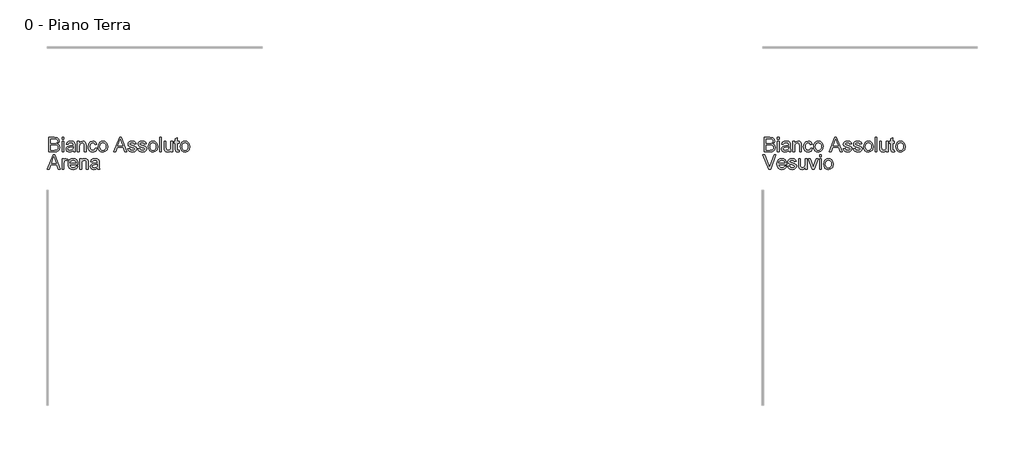
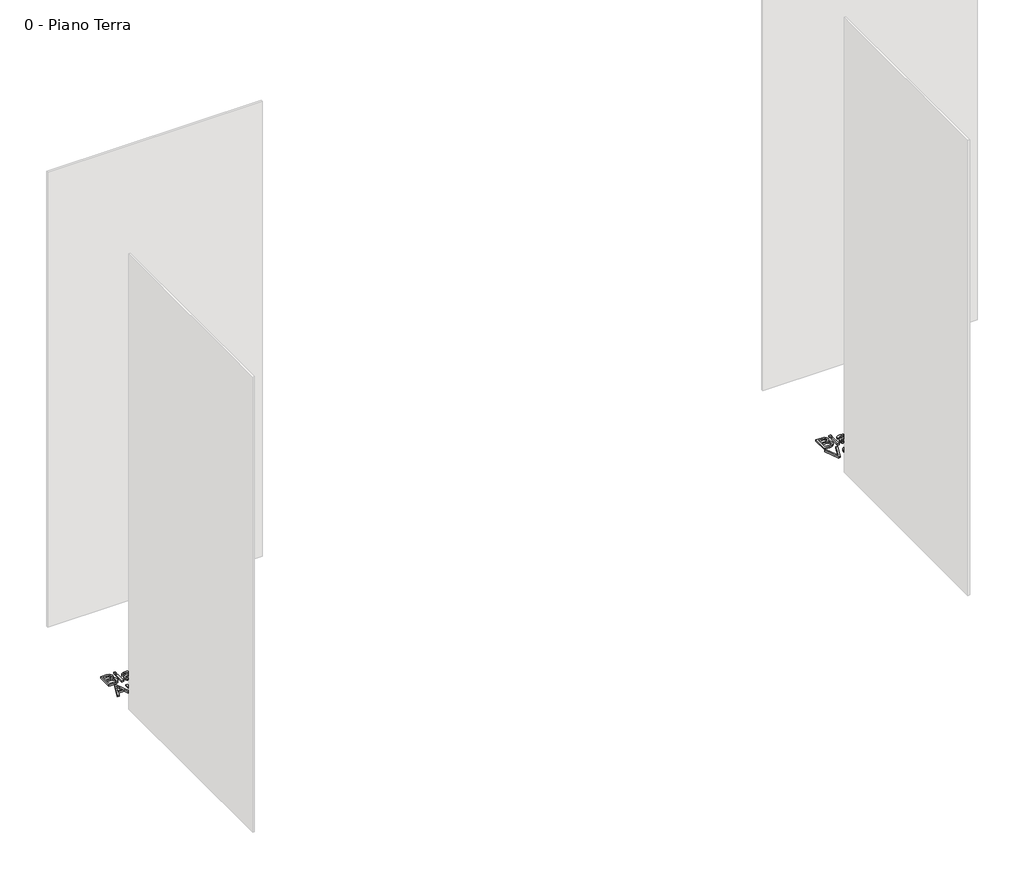
# One storey, part 16 of 35: 2 proxies.
"""IFC4 building model written with IfcOpenShell, lengths in millimetres."""

from ifc_helpers import new_model, si_unit, origin, origin_with_axes, place, context, project, spatial, polyline, outline, extrude, element, save

model = new_model("IFC4")

# Units and contexts
model_context = context("Model", 3, world=origin())
ifc_project = project(units=[si_unit("LENGTHUNIT", "METRE", prefix="MILLI")], contexts=[model_context])

# Site, building, storey
site = spatial("IfcSite", under=ifc_project)
building = spatial("IfcBuilding", under=site)
storey = spatial("IfcBuildingStorey", under=building, Name="0 - Piano Terra", Elevation=0.0)

# Proxies
placement = place(None, origin())
element("IfcBuildingElementProxy", 1, Name="Testo modello 1", ObjectType="Testo modello 1", at=placement, inside=storey, context=model_context, shape_type="SweptSolid", body=[
    extrude(outline(polyline([(-7268.2707509, -6273.7592352), (-7268.2707509, -6173.302925), (-7229.937447, -6173.302925), (-7211.1632025, -6176.2582437), (-7200.0776918, -6185.344929), (-7196.067778, -6198.1962733), (-7199.4400296, -6209.931709), (-7209.6303609, -6218.8221905), (-7197.2572631, -6228.1909187), (-7192.9285183, -6243.8136407), (-7195.883837, -6257.31491), (-7203.2046887, -6266.9288928), (-7214.130784, -6272.0301898), (-7230.2317526, -6273.7592352), (-7268.2707509, -6273.7592352)]), holes=[polyline([(-7255.7137122, -6214.113301), (-7232.7824011, -6214.113301), (-7219.3914965, -6213.0341805), (-7211.3348808, -6208.3866046), (-7208.6248168, -6200.2073616), (-7211.1509398, -6192.0158558), (-7218.3859524, -6187.1720762), (-7234.5237092, -6185.8599638), (-7255.7137122, -6185.8599638), (-7255.7137122, -6214.113301)]), polyline([(-7255.7137122, -6261.2021964), (-7229.9619725, -6261.2021964), (-7220.6422953, -6260.7116871), (-7212.7573579, -6257.9770976), (-7207.5334335, -6252.397554), (-7205.4855571, -6243.9362681), (-7207.8890528, -6234.1751325), (-7215.6758883, -6228.3503342), (-7231.1882458, -6226.6703398), (-7255.7137122, -6226.6703398), (-7255.7137122, -6261.2021964)])]), origin_with_axes(), (0.0, 0.0, 1.0), 10.0),
    extrude(outline(polyline([(-7177.2322199, -6185.8599638), (-7177.2322199, -6173.302925), (-7164.6751811, -6173.302925), (-7164.6751811, -6185.8599638), (-7177.2322199, -6185.8599638)])), origin_with_axes(), (0.0, 0.0, 1.0), 10.0),
    extrude(outline(polyline([(-7177.2322199, -6273.7592352), (-7177.2322199, -6199.9866324), (-7164.6751811, -6199.9866324), (-7164.6751811, -6273.7592352), (-7177.2322199, -6273.7592352)])), origin_with_axes(), (0.0, 0.0, 1.0), 10.0),
    extrude(outline(polyline([(-7098.7507275, -6264.3414561), (-7110.9276216, -6272.8517929), (-7124.3798399, -6275.328865), (-7134.8736738, -6273.8389429), (-7142.6145241, -6269.3691767), (-7147.387793, -6262.5817539), (-7148.9788826, -6254.1388621), (-7146.5753869, -6244.2060482), (-7140.2600793, -6236.9955611), (-7131.4676997, -6232.8752828), (-7120.6029181, -6230.9868218), (-7098.8243039, -6226.6703398), (-7098.7507275, -6223.8744366), (-7102.2088183, -6214.6038103), (-7116.0902323, -6210.9740413), (-7128.7944238, -6213.3897997), (-7134.852214, -6221.9614502), (-7147.4092528, -6220.3918204), (-7141.976862, -6208.1290872), (-7131.038504, -6200.9431256), (-7114.4715515, -6198.4170025), (-7099.2534996, -6200.64882), (-7090.6573237, -6206.252889), (-7086.8068254, -6214.7754886), (-7086.1936888, -6225.7628975), (-7086.1936888, -6241.3856196), (-7085.5560267, -6263.2010219), (-7083.0544291, -6273.7592352), (-7095.6114679, -6273.7592352), (-7098.7507275, -6264.3414561)]), holes=[polyline([(-7098.7507275, -6239.2273785), (-7119.0087627, -6243.0778768), (-7129.8122307, -6245.1134905), (-7134.7050612, -6248.4244284), (-7136.4218439, -6253.2559453), (-7132.6817102, -6260.0494995), (-7121.706564, -6262.7718262), (-7109.0023725, -6259.7674566), (-7100.8108667, -6252.4956558), (-7098.8243039, -6242.7835712), (-7098.7507275, -6239.2273785)])]), origin_with_axes(), (0.0, 0.0, 1.0), 10.0),
    extrude(outline(polyline([(-7068.9277605, -6273.7592352), (-7068.9277605, -6199.9866324), (-7056.3707217, -6199.9866324), (-7056.3707217, -6210.2873283), (-7046.7690016, -6201.384584), (-7033.6601399, -6198.4170025), (-7021.8020769, -6200.8082355), (-7013.708673, -6207.0867549), (-7009.9440139, -6216.320593), (-7009.2818263, -6228.4606988), (-7009.2818263, -6273.7592352), (-7021.8388651, -6273.7592352), (-7021.8388651, -6230.152956), (-7023.2858676, -6219.0429197), (-7028.3994273, -6213.1690705), (-7037.0201288, -6210.9740413), (-7050.6440253, -6215.90366), (-7054.9390476, -6223.0467021), (-7056.3707217, -6234.6165909), (-7056.3707217, -6273.7592352), (-7068.9277605, -6273.7592352)])), origin_with_axes(), (0.0, 0.0, 1.0), 10.0),
    extrude(outline(polyline([(-6944.9270026, -6247.0755278), (-6932.3699639, -6248.6451576), (-6935.8709742, -6259.8134419), (-6942.4499305, -6268.253268), (-6951.4875649, -6273.5599657), (-6962.3646092, -6275.328865), (-6975.7217913, -6272.8609899), (-6986.1665743, -6265.4573648), (-6992.9080119, -6253.442952), (-6995.1551577, -6237.1427139), (-6991.3169222, -6216.2838048), (-6979.6182748, -6202.8806374), (-6962.5362875, -6198.4170025), (-6951.9259576, -6199.9498442), (-6943.4432119, -6204.5483691), (-6937.3578306, -6211.9673227), (-6933.9395937, -6221.9614502), (-6946.4966325, -6223.5310801), (-6952.3214307, -6214.1255637), (-6962.4381856, -6210.9740413), (-6970.5530493, -6212.5252771), (-6976.9940499, -6217.1789843), (-6981.1971017, -6225.1865491), (-6982.5981189, -6236.7993574), (-6981.2277585, -6248.5685155), (-6977.1166772, -6256.6036714), (-6970.7921726, -6261.2297875), (-6962.7815421, -6262.7718262), (-6950.9480046, -6258.921328), (-6944.9270026, -6247.0755278)])), origin_with_axes(), (0.0, 0.0, 1.0), 10.0),
    extrude(outline(polyline([(-6924.5218146, -6236.8729338), (-6921.8056192, -6219.0858393), (-6913.657033, -6206.5839828), (-6903.5893291, -6200.4587476), (-6891.5350624, -6198.4170025), (-6878.3434272, -6200.9032717), (-6867.8066737, -6208.3620791), (-6860.8996892, -6220.2048137), (-6858.5973611, -6235.8428642), (-6862.6685885, -6258.185564), (-6874.5266515, -6270.8284419), (-6891.5350624, -6275.328865), (-6904.8861131, -6272.8517929), (-6915.4106039, -6265.4205766), (-6922.2440119, -6253.3295217), (-6924.5218146, -6236.8729338)]), holes=[polyline([(-6911.9647759, -6236.8484083), (-6910.511642, -6248.2128963), (-6906.1522403, -6256.3093658), (-6899.5916781, -6261.1562111), (-6891.5350624, -6262.7718262), (-6883.5152349, -6261.1470141), (-6876.9669354, -6256.2725776), (-6872.6075337, -6248.0688092), (-6871.1543999, -6236.4560008), (-6872.6167308, -6225.4226067), (-6877.0037236, -6217.4365017), (-6883.5612202, -6212.5896564), (-6891.5350624, -6210.9740413), (-6899.5916781, -6212.583525), (-6906.1522403, -6217.4119762), (-6910.511642, -6225.4900517), (-6911.9647759, -6236.8484083)])]), origin_with_axes(), (0.0, 0.0, 1.0), 10.0),
    extrude(outline(polyline([(-6815.3589639, -6273.7592352), (-6775.2598265, -6173.302925), (-6764.5667231, -6173.302925), (-6724.4675857, -6273.7592352), (-6737.7358629, -6273.7592352), (-6749.2383067, -6242.3666382), (-6790.6127684, -6242.3666382), (-6802.0906866, -6273.7592352), (-6815.3589639, -6273.7592352)]), holes=[polyline([(-6786.0019807, -6229.8095995), (-6753.8245689, -6229.8095995), (-6762.874466, -6205.1124549), (-6769.9132748, -6185.8599638), (-6776.1672687, -6202.9542138), (-6786.0019807, -6229.8095995)])]), origin_with_axes(), (0.0, 0.0, 1.0), 10.0),
    extrude(outline(polyline([(-6717.3306749, -6251.7844173), (-6704.7736362, -6250.2147875), (-6698.9611007, -6259.5344647), (-6685.6437724, -6262.7718262), (-6672.841479, -6259.8042448), (-6668.6721497, -6252.8390124), (-6672.8660045, -6247.1981551), (-6685.7909252, -6243.617437), (-6704.7000598, -6237.4738077), (-6712.9528792, -6230.3001088), (-6715.7610451, -6220.1710912), (-6713.5047022, -6210.8146258), (-6707.3488101, -6203.6654523), (-6699.3657708, -6199.9498442), (-6688.5623029, -6198.4170025), (-6673.2829374, -6200.8818119), (-6663.5708527, -6207.5527388), (-6659.2543706, -6218.8221905), (-6671.8114094, -6220.3918204), (-6676.5325617, -6213.4633761), (-6687.5812843, -6210.9740413), (-6699.5987628, -6213.3530115), (-6703.2040063, -6218.8957669), (-6701.7079529, -6222.5500614), (-6697.0235888, -6225.3214391), (-6686.2078582, -6227.994715), (-6667.7769702, -6233.9053523), (-6659.2175824, -6240.6008047), (-6656.115111, -6251.5146372), (-6659.7571427, -6263.5321157), (-6670.266305, -6272.250919), (-6685.8154507, -6275.328865), (-6698.4767227, -6273.8450743), (-6707.7166921, -6269.3937021), (-6713.8848469, -6262.0237995), (-6717.3306749, -6251.7844173)])), origin_with_axes(), (0.0, 0.0, 1.0), 10.0),
    extrude(outline(polyline([(-6646.6973319, -6251.7844173), (-6634.1402931, -6250.2147875), (-6628.3277576, -6259.5344647), (-6615.0104294, -6262.7718262), (-6602.2081359, -6259.8042448), (-6598.0388066, -6252.8390124), (-6602.2326614, -6247.1981551), (-6615.1575822, -6243.617437), (-6634.0667167, -6237.4738077), (-6642.3195361, -6230.3001088), (-6645.127702, -6220.1710912), (-6642.8713591, -6210.8146258), (-6636.7154671, -6203.6654523), (-6628.7324278, -6199.9498442), (-6617.9289599, -6198.4170025), (-6602.6495943, -6200.8818119), (-6592.9375096, -6207.5527388), (-6588.6210276, -6218.8221905), (-6601.1780663, -6220.3918204), (-6605.8992186, -6213.4633761), (-6616.9479412, -6210.9740413), (-6628.9654197, -6213.3530115), (-6632.5706633, -6218.8957669), (-6631.0746098, -6222.5500614), (-6626.3902457, -6225.3214391), (-6615.5745151, -6227.994715), (-6597.1436271, -6233.9053523), (-6588.5842394, -6240.6008047), (-6585.4817679, -6251.5146372), (-6589.1237996, -6263.5321157), (-6599.632962, -6272.250919), (-6615.1821076, -6275.328865), (-6627.8433796, -6273.8450743), (-6637.0833491, -6269.3937021), (-6643.2515039, -6262.0237995), (-6646.6973319, -6251.7844173)])), origin_with_axes(), (0.0, 0.0, 1.0), 10.0),
    extrude(outline(polyline([(-6574.494359, -6236.8729338), (-6571.7781636, -6219.0858393), (-6563.6295774, -6206.5839828), (-6553.5618734, -6200.4587476), (-6541.5076067, -6198.4170025), (-6528.3159715, -6200.9032717), (-6517.779218, -6208.3620791), (-6510.8722336, -6220.2048137), (-6508.5699054, -6235.8428642), (-6512.6411328, -6258.185564), (-6524.4991958, -6270.8284419), (-6541.5076067, -6275.328865), (-6554.8586575, -6272.8517929), (-6565.3831482, -6265.4205766), (-6572.2165563, -6253.3295217), (-6574.494359, -6236.8729338)]), holes=[polyline([(-6561.9373202, -6236.8484083), (-6560.4841863, -6248.2128963), (-6556.1247847, -6256.3093658), (-6549.5642224, -6261.1562111), (-6541.5076067, -6262.7718262), (-6533.4877792, -6261.1470141), (-6526.9394797, -6256.2725776), (-6522.5800781, -6248.0688092), (-6521.1269442, -6236.4560008), (-6522.5892751, -6225.4226067), (-6526.9762679, -6217.4365017), (-6533.5337645, -6212.5896564), (-6541.5076067, -6210.9740413), (-6549.5642224, -6212.583525), (-6556.1247847, -6217.4119762), (-6560.4841863, -6225.4900517), (-6561.9373202, -6236.8484083)])]), origin_with_axes(), (0.0, 0.0, 1.0), 10.0),
    extrude(outline(polyline([(-6494.4432368, -6273.7592352), (-6494.4432368, -6173.302925), (-6481.886198, -6173.302925), (-6481.886198, -6273.7592352), (-6494.4432368, -6273.7592352)])), origin_with_axes(), (0.0, 0.0, 1.0), 10.0),
    extrude(outline(polyline([(-6415.9617445, -6273.7592352), (-6415.9617445, -6261.0795691), (-6425.7964565, -6271.766541), (-6438.6232754, -6275.328865), (-6450.4322874, -6272.8272674), (-6458.5747423, -6266.548748), (-6462.3148759, -6257.3026472), (-6463.0506399, -6245.6285253), (-6463.0506399, -6199.9866324), (-6450.4936011, -6199.9866324), (-6450.4936011, -6239.7178879), (-6449.7333117, -6252.5201813), (-6444.7669047, -6260.0372367), (-6435.4104393, -6262.7718262), (-6424.9258024, -6259.9759231), (-6417.9973582, -6252.3607658), (-6415.9617445, -6238.3689872), (-6415.9617445, -6199.9866324), (-6403.4047057, -6199.9866324), (-6403.4047057, -6273.7592352), (-6415.9617445, -6273.7592352)])), origin_with_axes(), (0.0, 0.0, 1.0), 10.0),
    extrude(outline(polyline([(-6359.45507, -6263.286861), (-6357.8854402, -6274.1271171), (-6367.2786938, -6275.328865), (-6377.8001189, -6273.2442004), (-6383.0485687, -6267.7750214), (-6384.5691476, -6253.5257254), (-6384.5691476, -6212.5436712), (-6393.9869267, -6212.5436712), (-6393.9869267, -6199.9866324), (-6384.5691476, -6199.9866324), (-6384.5691476, -6182.0585165), (-6372.0121088, -6174.6763511), (-6372.0121088, -6199.9866324), (-6359.45507, -6199.9866324), (-6359.45507, -6212.5436712), (-6372.0121088, -6212.5436712), (-6372.0121088, -6253.1578434), (-6371.3499212, -6259.6325665), (-6369.2039429, -6261.9256976), (-6364.924249, -6262.7718262), (-6359.45507, -6263.286861)])), origin_with_axes(), (0.0, 0.0, 1.0), 10.0),
    extrude(outline(polyline([(-6350.037291, -6236.8729338), (-6347.3210956, -6219.0858393), (-6339.1725094, -6206.5839828), (-6329.1048054, -6200.4587476), (-6317.0505387, -6198.4170025), (-6303.8589035, -6200.9032717), (-6293.32215, -6208.3620791), (-6286.4151656, -6220.2048137), (-6284.1128374, -6235.8428642), (-6288.1840648, -6258.185564), (-6300.0421278, -6270.8284419), (-6317.0505387, -6275.328865), (-6330.4015895, -6272.8517929), (-6340.9260802, -6265.4205766), (-6347.7594883, -6253.3295217), (-6350.037291, -6236.8729338)]), holes=[polyline([(-6337.4802522, -6236.8484083), (-6336.0271183, -6248.2128963), (-6331.6677167, -6256.3093658), (-6325.1071544, -6261.1562111), (-6317.0505387, -6262.7718262), (-6309.0307112, -6261.1470141), (-6302.4824117, -6256.2725776), (-6298.1230101, -6248.0688092), (-6296.6698762, -6236.4560008), (-6298.1322071, -6225.4226067), (-6302.5191999, -6217.4365017), (-6309.0766965, -6212.5896564), (-6317.0505387, -6210.9740413), (-6325.1071544, -6212.583525), (-6331.6677167, -6217.4119762), (-6336.0271183, -6225.4900517), (-6337.4802522, -6236.8484083)])]), origin_with_axes(), (0.0, 0.0, 1.0), 10.0),
    extrude(outline(polyline([(-7238.5949366, -6395.734053), (-7278.5714468, -6295.2777428), (-7265.1314912, -6295.2777428), (-7238.3742074, -6367.652394), (-7232.9540794, -6383.9618292), (-7227.6075277, -6367.652394), (-7200.7766675, -6295.2777428), (-7187.336712, -6295.2777428), (-7225.620965, -6395.734053), (-7238.5949366, -6395.734053)])), origin_with_axes(), (0.0, 0.0, 1.0), 10.0),
    extrude(outline(polyline([(-7125.5815877, -6373.7592352), (-7113.2698036, -6375.328865), (-7117.7058473, -6384.6056226), (-7124.7845101, -6391.5401983), (-7134.3463763, -6395.8628117), (-7146.2320304, -6397.3036828), (-7160.9657043, -6394.8174137), (-7172.3026011, -6387.3586062), (-7179.5314823, -6375.4116384), (-7181.9411094, -6359.4608883), (-7179.5069569, -6342.9736435), (-7172.2044993, -6330.6434653), (-7161.0208866, -6322.9547316), (-7146.9432689, -6320.3918204), (-7133.3040439, -6322.9486003), (-7122.4055398, -6330.6189399), (-7115.2594321, -6342.9245926), (-7112.8773962, -6359.3873119), (-7112.9509726, -6362.7718262), (-7169.3840706, -6362.7718262), (-7167.2105012, -6372.1712112), (-7162.1613208, -6379.0812613), (-7154.8741916, -6383.3302984), (-7145.9867757, -6384.7466441), (-7133.6749916, -6382.1224192), (-7125.5815877, -6373.7592352)]), holes=[polyline([(-7169.3840706, -6350.2147875), (-7125.4344349, -6350.2147875), (-7130.4621555, -6338.8349711), (-7137.7830072, -6334.4203871), (-7146.9923198, -6332.9488592), (-7162.4556264, -6337.645486), (-7167.3208658, -6343.1361247), (-7169.3840706, -6350.2147875)])]), origin_with_axes(), (0.0, 0.0, 1.0), 10.0),
    extrude(outline(polyline([(-7105.0292469, -6373.7592352), (-7092.4722082, -6372.1896053), (-7086.6596726, -6381.5092825), (-7073.3423444, -6384.7466441), (-7060.540051, -6381.7790626), (-7056.3707217, -6374.8138302), (-7060.5645764, -6369.1729729), (-7073.4894972, -6365.5922549), (-7092.3986318, -6359.4486255), (-7100.6514512, -6352.2749266), (-7103.4596171, -6342.145909), (-7101.2032742, -6332.7894436), (-7095.0473821, -6325.6402702), (-7087.0643428, -6321.924662), (-7076.2608749, -6320.3918204), (-7060.9815094, -6322.8566298), (-7051.2694247, -6329.5275566), (-7046.9529426, -6340.7970084), (-7059.5099814, -6342.3666382), (-7064.2311337, -6335.438194), (-7075.2798563, -6332.9488592), (-7087.2973348, -6335.3278294), (-7090.9025783, -6340.8705848), (-7089.4065249, -6344.5248793), (-7084.7221608, -6347.296257), (-7073.9064301, -6349.9695328), (-7055.4755422, -6355.8801702), (-7046.9161544, -6362.5756225), (-7043.8136829, -6373.489455), (-7047.4557147, -6385.5069335), (-7057.964877, -6394.2257368), (-7073.5140227, -6397.3036828), (-7086.1752947, -6395.8198921), (-7095.4152641, -6391.36852), (-7101.5834189, -6383.9986174), (-7105.0292469, -6373.7592352)])), origin_with_axes(), (0.0, 0.0, 1.0), 10.0),
    extrude(outline(polyline([(-6982.5981189, -6395.734053), (-6982.5981189, -6383.0543869), (-6992.4328309, -6393.7413589), (-7005.2596498, -6397.3036828), (-7017.0686619, -6394.8020853), (-7025.2111167, -6388.5235659), (-7028.9512503, -6379.2774651), (-7029.6870143, -6367.6033431), (-7029.6870143, -6321.9614502), (-7017.1299756, -6321.9614502), (-7017.1299756, -6361.6927057), (-7016.3696861, -6374.4949991), (-7011.4032792, -6382.0120546), (-7002.0468137, -6384.7466441), (-6991.5621769, -6381.9507409), (-6984.6337326, -6374.3355836), (-6982.5981189, -6360.3438051), (-6982.5981189, -6321.9614502), (-6970.0410802, -6321.9614502), (-6970.0410802, -6395.734053), (-6982.5981189, -6395.734053)])), origin_with_axes(), (0.0, 0.0, 1.0), 10.0),
    extrude(outline(polyline([(-6934.6753577, -6395.734053), (-6960.6233011, -6321.9614502), (-6947.3304983, -6321.9614502), (-6931.6096744, -6366.1563406), (-6926.8762594, -6381.0187732), (-6922.2409463, -6366.9902064), (-6906.4220205, -6321.9614502), (-6893.1292177, -6321.9614502), (-6918.75833, -6395.734053), (-6934.6753577, -6395.734053)])), origin_with_axes(), (0.0, 0.0, 1.0), 10.0),
    extrude(outline(polyline([(-6882.1418088, -6307.8347816), (-6882.1418088, -6295.2777428), (-6869.58477, -6295.2777428), (-6869.58477, -6307.8347816), (-6882.1418088, -6307.8347816)])), origin_with_axes(), (0.0, 0.0, 1.0), 10.0),
    extrude(outline(polyline([(-6882.1418088, -6395.734053), (-6882.1418088, -6321.9614502), (-6869.58477, -6321.9614502), (-6869.58477, -6395.734053), (-6882.1418088, -6395.734053)])), origin_with_axes(), (0.0, 0.0, 1.0), 10.0),
    extrude(outline(polyline([(-6853.8884716, -6358.8477516), (-6851.1722762, -6341.0606571), (-6843.02369, -6328.5588007), (-6832.955986, -6322.4335655), (-6820.9017193, -6320.3918204), (-6807.7100841, -6322.8780895), (-6797.1733306, -6330.336897), (-6790.2663462, -6342.1796315), (-6787.964018, -6357.817682), (-6792.0352454, -6380.1603819), (-6803.8933084, -6392.8032598), (-6820.9017193, -6397.3036828), (-6834.2527701, -6394.8266107), (-6844.7772608, -6387.3953944), (-6851.6106689, -6375.3043395), (-6853.8884716, -6358.8477516)]), holes=[polyline([(-6841.3314328, -6358.8232261), (-6839.8782989, -6370.1877141), (-6835.5188973, -6378.2841837), (-6828.958335, -6383.131029), (-6820.9017193, -6384.7466441), (-6812.8818918, -6383.1218319), (-6806.3335923, -6378.2473955), (-6801.9741907, -6370.043627), (-6800.5210568, -6358.4308187), (-6801.9833877, -6347.3974245), (-6806.3703805, -6339.4113195), (-6812.9278771, -6334.5644742), (-6820.9017193, -6332.9488592), (-6828.958335, -6334.5583429), (-6835.5188973, -6339.3867941), (-6839.8782989, -6347.4648695), (-6841.3314328, -6358.8232261)])]), origin_with_axes(), (0.0, 0.0, 1.0), 10.0),
])
element("IfcBuildingElementProxy", 2, Name="Testo modello 1", ObjectType="Testo modello 1", at=placement, inside=storey, context=model_context, shape_type="SweptSolid", body=[
    extrude(outline(polyline([(-12268.2707509, -6273.7592352), (-12268.2707509, -6173.302925), (-12229.937447, -6173.302925), (-12211.1632025, -6176.2582437), (-12200.0776918, -6185.344929), (-12196.067778, -6198.1962733), (-12199.4400296, -6209.931709), (-12209.6303609, -6218.8221905), (-12197.2572631, -6228.1909187), (-12192.9285183, -6243.8136407), (-12195.883837, -6257.31491), (-12203.2046887, -6266.9288928), (-12214.130784, -6272.0301898), (-12230.2317526, -6273.7592352), (-12268.2707509, -6273.7592352)]), holes=[polyline([(-12255.7137122, -6214.113301), (-12232.7824011, -6214.113301), (-12219.3914965, -6213.0341805), (-12211.3348808, -6208.3866046), (-12208.6248168, -6200.2073616), (-12211.1509398, -6192.0158558), (-12218.3859524, -6187.1720762), (-12234.5237092, -6185.8599638), (-12255.7137122, -6185.8599638), (-12255.7137122, -6214.113301)]), polyline([(-12255.7137122, -6261.2021964), (-12229.9619725, -6261.2021964), (-12220.6422953, -6260.7116871), (-12212.7573579, -6257.9770976), (-12207.5334335, -6252.397554), (-12205.4855571, -6243.9362681), (-12207.8890528, -6234.1751325), (-12215.6758883, -6228.3503342), (-12231.1882458, -6226.6703398), (-12255.7137122, -6226.6703398), (-12255.7137122, -6261.2021964)])]), origin_with_axes(), (0.0, 0.0, 1.0), 10.0),
    extrude(outline(polyline([(-12177.2322199, -6185.8599638), (-12177.2322199, -6173.302925), (-12164.6751811, -6173.302925), (-12164.6751811, -6185.8599638), (-12177.2322199, -6185.8599638)])), origin_with_axes(), (0.0, 0.0, 1.0), 10.0),
    extrude(outline(polyline([(-12177.2322199, -6273.7592352), (-12177.2322199, -6199.9866324), (-12164.6751811, -6199.9866324), (-12164.6751811, -6273.7592352), (-12177.2322199, -6273.7592352)])), origin_with_axes(), (0.0, 0.0, 1.0), 10.0),
    extrude(outline(polyline([(-12098.7507275, -6264.3414561), (-12110.9276216, -6272.8517929), (-12124.3798399, -6275.328865), (-12134.8736738, -6273.8389429), (-12142.6145241, -6269.3691767), (-12147.387793, -6262.5817539), (-12148.9788826, -6254.1388621), (-12146.5753869, -6244.2060482), (-12140.2600793, -6236.9955611), (-12131.4676997, -6232.8752828), (-12120.6029181, -6230.9868218), (-12098.8243039, -6226.6703398), (-12098.7507275, -6223.8744366), (-12102.2088183, -6214.6038103), (-12116.0902323, -6210.9740413), (-12128.7944238, -6213.3897997), (-12134.852214, -6221.9614502), (-12147.4092528, -6220.3918204), (-12141.976862, -6208.1290872), (-12131.038504, -6200.9431256), (-12114.4715515, -6198.4170025), (-12099.2534996, -6200.64882), (-12090.6573237, -6206.252889), (-12086.8068254, -6214.7754886), (-12086.1936888, -6225.7628975), (-12086.1936888, -6241.3856196), (-12085.5560267, -6263.2010219), (-12083.0544291, -6273.7592352), (-12095.6114679, -6273.7592352), (-12098.7507275, -6264.3414561)]), holes=[polyline([(-12098.7507275, -6239.2273785), (-12119.0087627, -6243.0778768), (-12129.8122307, -6245.1134905), (-12134.7050612, -6248.4244284), (-12136.4218439, -6253.2559453), (-12132.6817102, -6260.0494995), (-12121.706564, -6262.7718262), (-12109.0023725, -6259.7674566), (-12100.8108667, -6252.4956558), (-12098.8243039, -6242.7835712), (-12098.7507275, -6239.2273785)])]), origin_with_axes(), (0.0, 0.0, 1.0), 10.0),
    extrude(outline(polyline([(-12068.9277605, -6273.7592352), (-12068.9277605, -6199.9866324), (-12056.3707217, -6199.9866324), (-12056.3707217, -6210.2873283), (-12046.7690016, -6201.384584), (-12033.6601399, -6198.4170025), (-12021.8020769, -6200.8082355), (-12013.708673, -6207.0867549), (-12009.9440139, -6216.320593), (-12009.2818263, -6228.4606988), (-12009.2818263, -6273.7592352), (-12021.8388651, -6273.7592352), (-12021.8388651, -6230.152956), (-12023.2858676, -6219.0429197), (-12028.3994273, -6213.1690705), (-12037.0201288, -6210.9740413), (-12050.6440253, -6215.90366), (-12054.9390476, -6223.0467021), (-12056.3707217, -6234.6165909), (-12056.3707217, -6273.7592352), (-12068.9277605, -6273.7592352)])), origin_with_axes(), (0.0, 0.0, 1.0), 10.0),
    extrude(outline(polyline([(-11944.9270026, -6247.0755278), (-11932.3699639, -6248.6451576), (-11935.8709742, -6259.8134419), (-11942.4499305, -6268.253268), (-11951.4875649, -6273.5599657), (-11962.3646092, -6275.328865), (-11975.7217913, -6272.8609899), (-11986.1665743, -6265.4573648), (-11992.9080119, -6253.442952), (-11995.1551577, -6237.1427139), (-11991.3169222, -6216.2838048), (-11979.6182748, -6202.8806374), (-11962.5362875, -6198.4170025), (-11951.9259576, -6199.9498442), (-11943.4432119, -6204.5483691), (-11937.3578306, -6211.9673227), (-11933.9395937, -6221.9614502), (-11946.4966325, -6223.5310801), (-11952.3214307, -6214.1255637), (-11962.4381856, -6210.9740413), (-11970.5530493, -6212.5252771), (-11976.9940499, -6217.1789843), (-11981.1971017, -6225.1865491), (-11982.5981189, -6236.7993574), (-11981.2277585, -6248.5685155), (-11977.1166772, -6256.6036714), (-11970.7921726, -6261.2297875), (-11962.7815421, -6262.7718262), (-11950.9480046, -6258.921328), (-11944.9270026, -6247.0755278)])), origin_with_axes(), (0.0, 0.0, 1.0), 10.0),
    extrude(outline(polyline([(-11924.5218146, -6236.8729338), (-11921.8056192, -6219.0858393), (-11913.657033, -6206.5839828), (-11903.5893291, -6200.4587476), (-11891.5350624, -6198.4170025), (-11878.3434272, -6200.9032717), (-11867.8066737, -6208.3620791), (-11860.8996892, -6220.2048137), (-11858.5973611, -6235.8428642), (-11862.6685885, -6258.185564), (-11874.5266515, -6270.8284419), (-11891.5350624, -6275.328865), (-11904.8861131, -6272.8517929), (-11915.4106039, -6265.4205766), (-11922.2440119, -6253.3295217), (-11924.5218146, -6236.8729338)]), holes=[polyline([(-11911.9647759, -6236.8484083), (-11910.511642, -6248.2128963), (-11906.1522403, -6256.3093658), (-11899.5916781, -6261.1562111), (-11891.5350624, -6262.7718262), (-11883.5152349, -6261.1470141), (-11876.9669354, -6256.2725776), (-11872.6075337, -6248.0688092), (-11871.1543999, -6236.4560008), (-11872.6167308, -6225.4226067), (-11877.0037236, -6217.4365017), (-11883.5612202, -6212.5896564), (-11891.5350624, -6210.9740413), (-11899.5916781, -6212.583525), (-11906.1522403, -6217.4119762), (-11910.511642, -6225.4900517), (-11911.9647759, -6236.8484083)])]), origin_with_axes(), (0.0, 0.0, 1.0), 10.0),
    extrude(outline(polyline([(-11815.3589639, -6273.7592352), (-11775.2598265, -6173.302925), (-11764.5667231, -6173.302925), (-11724.4675857, -6273.7592352), (-11737.7358629, -6273.7592352), (-11749.2383067, -6242.3666382), (-11790.6127684, -6242.3666382), (-11802.0906866, -6273.7592352), (-11815.3589639, -6273.7592352)]), holes=[polyline([(-11786.0019807, -6229.8095995), (-11753.8245689, -6229.8095995), (-11762.874466, -6205.1124549), (-11769.9132748, -6185.8599638), (-11776.1672687, -6202.9542138), (-11786.0019807, -6229.8095995)])]), origin_with_axes(), (0.0, 0.0, 1.0), 10.0),
    extrude(outline(polyline([(-11717.3306749, -6251.7844173), (-11704.7736362, -6250.2147875), (-11698.9611007, -6259.5344647), (-11685.6437724, -6262.7718262), (-11672.841479, -6259.8042448), (-11668.6721497, -6252.8390124), (-11672.8660045, -6247.1981551), (-11685.7909252, -6243.617437), (-11704.7000598, -6237.4738077), (-11712.9528792, -6230.3001088), (-11715.7610451, -6220.1710912), (-11713.5047022, -6210.8146258), (-11707.3488101, -6203.6654523), (-11699.3657708, -6199.9498442), (-11688.5623029, -6198.4170025), (-11673.2829374, -6200.8818119), (-11663.5708527, -6207.5527388), (-11659.2543706, -6218.8221905), (-11671.8114094, -6220.3918204), (-11676.5325617, -6213.4633761), (-11687.5812843, -6210.9740413), (-11699.5987628, -6213.3530115), (-11703.2040063, -6218.8957669), (-11701.7079529, -6222.5500614), (-11697.0235888, -6225.3214391), (-11686.2078582, -6227.994715), (-11667.7769702, -6233.9053523), (-11659.2175824, -6240.6008047), (-11656.115111, -6251.5146372), (-11659.7571427, -6263.5321157), (-11670.266305, -6272.250919), (-11685.8154507, -6275.328865), (-11698.4767227, -6273.8450743), (-11707.7166921, -6269.3937021), (-11713.8848469, -6262.0237995), (-11717.3306749, -6251.7844173)])), origin_with_axes(), (0.0, 0.0, 1.0), 10.0),
    extrude(outline(polyline([(-11646.6973319, -6251.7844173), (-11634.1402931, -6250.2147875), (-11628.3277576, -6259.5344647), (-11615.0104294, -6262.7718262), (-11602.2081359, -6259.8042448), (-11598.0388066, -6252.8390124), (-11602.2326614, -6247.1981551), (-11615.1575822, -6243.617437), (-11634.0667167, -6237.4738077), (-11642.3195361, -6230.3001088), (-11645.127702, -6220.1710912), (-11642.8713591, -6210.8146258), (-11636.7154671, -6203.6654523), (-11628.7324278, -6199.9498442), (-11617.9289599, -6198.4170025), (-11602.6495943, -6200.8818119), (-11592.9375096, -6207.5527388), (-11588.6210276, -6218.8221905), (-11601.1780663, -6220.3918204), (-11605.8992186, -6213.4633761), (-11616.9479412, -6210.9740413), (-11628.9654197, -6213.3530115), (-11632.5706633, -6218.8957669), (-11631.0746098, -6222.5500614), (-11626.3902457, -6225.3214391), (-11615.5745151, -6227.994715), (-11597.1436271, -6233.9053523), (-11588.5842394, -6240.6008047), (-11585.4817679, -6251.5146372), (-11589.1237996, -6263.5321157), (-11599.632962, -6272.250919), (-11615.1821076, -6275.328865), (-11627.8433796, -6273.8450743), (-11637.0833491, -6269.3937021), (-11643.2515039, -6262.0237995), (-11646.6973319, -6251.7844173)])), origin_with_axes(), (0.0, 0.0, 1.0), 10.0),
    extrude(outline(polyline([(-11574.494359, -6236.8729338), (-11571.7781636, -6219.0858393), (-11563.6295774, -6206.5839828), (-11553.5618734, -6200.4587476), (-11541.5076067, -6198.4170025), (-11528.3159715, -6200.9032717), (-11517.779218, -6208.3620791), (-11510.8722336, -6220.2048137), (-11508.5699054, -6235.8428642), (-11512.6411328, -6258.185564), (-11524.4991958, -6270.8284419), (-11541.5076067, -6275.328865), (-11554.8586575, -6272.8517929), (-11565.3831482, -6265.4205766), (-11572.2165563, -6253.3295217), (-11574.494359, -6236.8729338)]), holes=[polyline([(-11561.9373202, -6236.8484083), (-11560.4841863, -6248.2128963), (-11556.1247847, -6256.3093658), (-11549.5642224, -6261.1562111), (-11541.5076067, -6262.7718262), (-11533.4877792, -6261.1470141), (-11526.9394797, -6256.2725776), (-11522.5800781, -6248.0688092), (-11521.1269442, -6236.4560008), (-11522.5892751, -6225.4226067), (-11526.9762679, -6217.4365017), (-11533.5337645, -6212.5896564), (-11541.5076067, -6210.9740413), (-11549.5642224, -6212.583525), (-11556.1247847, -6217.4119762), (-11560.4841863, -6225.4900517), (-11561.9373202, -6236.8484083)])]), origin_with_axes(), (0.0, 0.0, 1.0), 10.0),
    extrude(outline(polyline([(-11494.4432368, -6273.7592352), (-11494.4432368, -6173.302925), (-11481.886198, -6173.302925), (-11481.886198, -6273.7592352), (-11494.4432368, -6273.7592352)])), origin_with_axes(), (0.0, 0.0, 1.0), 10.0),
    extrude(outline(polyline([(-11415.9617445, -6273.7592352), (-11415.9617445, -6261.0795691), (-11425.7964565, -6271.766541), (-11438.6232754, -6275.328865), (-11450.4322874, -6272.8272674), (-11458.5747423, -6266.548748), (-11462.3148759, -6257.3026472), (-11463.0506399, -6245.6285253), (-11463.0506399, -6199.9866324), (-11450.4936011, -6199.9866324), (-11450.4936011, -6239.7178879), (-11449.7333117, -6252.5201813), (-11444.7669047, -6260.0372367), (-11435.4104393, -6262.7718262), (-11424.9258024, -6259.9759231), (-11417.9973582, -6252.3607658), (-11415.9617445, -6238.3689872), (-11415.9617445, -6199.9866324), (-11403.4047057, -6199.9866324), (-11403.4047057, -6273.7592352), (-11415.9617445, -6273.7592352)])), origin_with_axes(), (0.0, 0.0, 1.0), 10.0),
    extrude(outline(polyline([(-11359.45507, -6263.286861), (-11357.8854402, -6274.1271171), (-11367.2786938, -6275.328865), (-11377.8001189, -6273.2442004), (-11383.0485687, -6267.7750214), (-11384.5691476, -6253.5257254), (-11384.5691476, -6212.5436712), (-11393.9869267, -6212.5436712), (-11393.9869267, -6199.9866324), (-11384.5691476, -6199.9866324), (-11384.5691476, -6182.0585165), (-11372.0121088, -6174.6763511), (-11372.0121088, -6199.9866324), (-11359.45507, -6199.9866324), (-11359.45507, -6212.5436712), (-11372.0121088, -6212.5436712), (-11372.0121088, -6253.1578434), (-11371.3499212, -6259.6325665), (-11369.2039429, -6261.9256976), (-11364.924249, -6262.7718262), (-11359.45507, -6263.286861)])), origin_with_axes(), (0.0, 0.0, 1.0), 10.0),
    extrude(outline(polyline([(-11350.037291, -6236.8729338), (-11347.3210956, -6219.0858393), (-11339.1725094, -6206.5839828), (-11329.1048054, -6200.4587476), (-11317.0505387, -6198.4170025), (-11303.8589035, -6200.9032717), (-11293.32215, -6208.3620791), (-11286.4151656, -6220.2048137), (-11284.1128374, -6235.8428642), (-11288.1840648, -6258.185564), (-11300.0421278, -6270.8284419), (-11317.0505387, -6275.328865), (-11330.4015895, -6272.8517929), (-11340.9260802, -6265.4205766), (-11347.7594883, -6253.3295217), (-11350.037291, -6236.8729338)]), holes=[polyline([(-11337.4802522, -6236.8484083), (-11336.0271183, -6248.2128963), (-11331.6677167, -6256.3093658), (-11325.1071544, -6261.1562111), (-11317.0505387, -6262.7718262), (-11309.0307112, -6261.1470141), (-11302.4824117, -6256.2725776), (-11298.1230101, -6248.0688092), (-11296.6698762, -6236.4560008), (-11298.1322071, -6225.4226067), (-11302.5191999, -6217.4365017), (-11309.0766965, -6212.5896564), (-11317.0505387, -6210.9740413), (-11325.1071544, -6212.583525), (-11331.6677167, -6217.4119762), (-11336.0271183, -6225.4900517), (-11337.4802522, -6236.8484083)])]), origin_with_axes(), (0.0, 0.0, 1.0), 10.0),
    extrude(outline(polyline([(-12279.9693984, -6395.734053), (-12239.8702609, -6295.2777428), (-12229.1771576, -6295.2777428), (-12189.0780201, -6395.734053), (-12202.3462974, -6395.734053), (-12213.8487411, -6364.3414561), (-12255.2232028, -6364.3414561), (-12266.7011211, -6395.734053), (-12279.9693984, -6395.734053)]), holes=[polyline([(-12250.6124152, -6351.7844173), (-12218.4350033, -6351.7844173), (-12227.4849004, -6327.0872727), (-12234.5237092, -6307.8347816), (-12240.7777032, -6324.9290317), (-12250.6124152, -6351.7844173)])]), origin_with_axes(), (0.0, 0.0, 1.0), 10.0),
    extrude(outline(polyline([(-12177.2322199, -6395.734053), (-12177.2322199, -6321.9614502), (-12166.2448109, -6321.9614502), (-12166.2448109, -6332.8752828), (-12158.4457126, -6322.8198416), (-12150.5975634, -6320.3918204), (-12137.9914737, -6324.2668441), (-12142.1853284, -6335.5240331), (-12151.0144963, -6332.9488592), (-12158.1146188, -6335.4259313), (-12162.6395674, -6342.2930618), (-12164.6751811, -6356.9592907), (-12164.6751811, -6395.734053), (-12177.2322199, -6395.734053)])), origin_with_axes(), (0.0, 0.0, 1.0), 10.0),
    extrude(outline(polyline([(-12078.4926923, -6373.7592352), (-12066.1809082, -6375.328865), (-12070.616952, -6384.6056226), (-12077.6956147, -6391.5401983), (-12087.2574809, -6395.8628117), (-12099.143135, -6397.3036828), (-12113.8768089, -6394.8174137), (-12125.2137057, -6387.3586062), (-12132.4425869, -6375.4116384), (-12134.852214, -6359.4608883), (-12132.4180615, -6342.9736435), (-12125.1156039, -6330.6434653), (-12113.9319912, -6322.9547316), (-12099.8543735, -6320.3918204), (-12086.2151486, -6322.9486003), (-12075.3166445, -6330.6189399), (-12068.1705367, -6342.9245926), (-12065.7885008, -6359.3873119), (-12065.8620772, -6362.7718262), (-12122.2951752, -6362.7718262), (-12120.1216058, -6372.1712112), (-12115.0724254, -6379.0812613), (-12107.7852962, -6383.3302984), (-12098.8978803, -6384.7466441), (-12086.5860962, -6382.1224192), (-12078.4926923, -6373.7592352)]), holes=[polyline([(-12122.2951752, -6350.2147875), (-12078.3455395, -6350.2147875), (-12083.3732601, -6338.8349711), (-12090.6941119, -6334.4203871), (-12099.9034245, -6332.9488592), (-12115.366731, -6337.645486), (-12120.2319704, -6343.1361247), (-12122.2951752, -6350.2147875)])]), origin_with_axes(), (0.0, 0.0, 1.0), 10.0),
    extrude(outline(polyline([(-12053.231462, -6395.734053), (-12053.231462, -6321.9614502), (-12040.6744232, -6321.9614502), (-12040.6744232, -6332.2621461), (-12031.0727032, -6323.3594018), (-12017.9638414, -6320.3918204), (-12006.1057784, -6322.7830534), (-11998.0123745, -6329.0615727), (-11994.2477155, -6338.2954108), (-11993.5855279, -6350.4355167), (-11993.5855279, -6395.734053), (-12006.1425666, -6395.734053), (-12006.1425666, -6352.1277738), (-12007.5895691, -6341.0177376), (-12012.7031289, -6335.1438884), (-12021.3238303, -6332.9488592), (-12034.9477269, -6337.8784779), (-12039.2427491, -6345.02152), (-12040.6744232, -6356.5914087), (-12040.6744232, -6395.734053), (-12053.231462, -6395.734053)])), origin_with_axes(), (0.0, 0.0, 1.0), 10.0),
    extrude(outline(polyline([(-11929.2307042, -6386.3162739), (-11941.4075982, -6394.8266107), (-11954.8598165, -6397.3036828), (-11965.3536504, -6395.8137608), (-11973.0945007, -6391.3439945), (-11977.8677696, -6384.5565717), (-11979.4588592, -6376.1136799), (-11977.0553635, -6366.1808661), (-11970.740056, -6358.9703789), (-11961.9476763, -6354.8501006), (-11951.0828947, -6352.9616397), (-11929.3042806, -6348.6451576), (-11929.2307042, -6345.8492545), (-11932.6887949, -6336.5786282), (-11946.5702089, -6332.9488592), (-11959.2744004, -6335.3646176), (-11965.3321906, -6343.9362681), (-11977.8892294, -6342.3666382), (-11972.4568386, -6330.1039051), (-11961.5184806, -6322.9179434), (-11944.9515281, -6320.3918204), (-11929.7334762, -6322.6236378), (-11921.1373003, -6328.2277069), (-11917.2868021, -6336.7503064), (-11916.6736654, -6347.7377154), (-11916.6736654, -6363.3604374), (-11916.0360033, -6385.1758397), (-11913.5344057, -6395.734053), (-11926.0914445, -6395.734053), (-11929.2307042, -6386.3162739)]), holes=[polyline([(-11929.2307042, -6361.2021964), (-11949.4887394, -6365.0526946), (-11960.2922073, -6367.0883083), (-11965.1850378, -6370.3992463), (-11966.9018205, -6375.2307631), (-11963.1616869, -6382.0243173), (-11952.1865407, -6384.7466441), (-11939.4823491, -6381.7422744), (-11931.2908433, -6374.4704737), (-11929.3042806, -6364.758389), (-11929.2307042, -6361.2021964)])]), origin_with_axes(), (0.0, 0.0, 1.0), 10.0),
])

save(model, "model.ifc")
